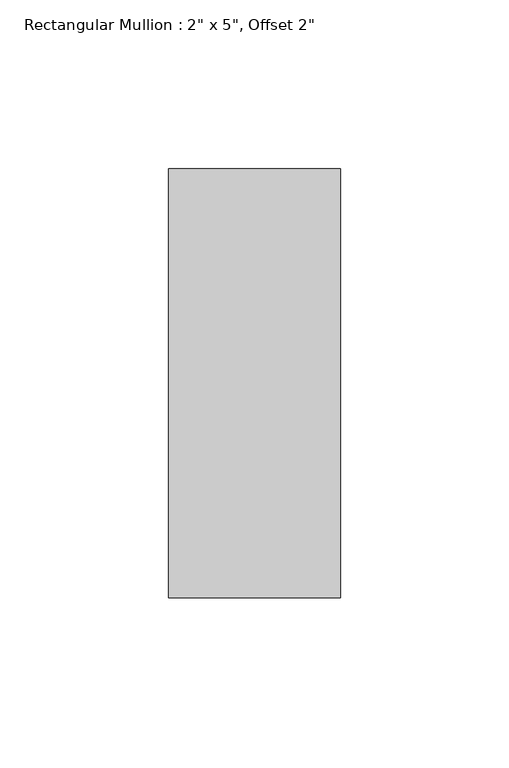
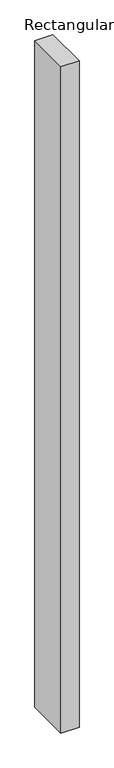
"""IFC4 building model written with IfcOpenShell, lengths in millimetres: member geometry."""

from ifc_helpers import new_model, si_unit, frame, origin, place, context, project, spatial, polyline, outline, extrude, source, transform, mapped, element, save


def member_c1dc7229(model_context):
    return source(origin(), model_context, "Body", "SweptSolid", [
        extrude(outline(polyline([(0.0, 114.3), (0.0, -12.7), (-50.8, -12.7), (-50.8, 114.3), (0.0, 114.3)])), frame((0.0, 0.0, -1981.2), z_axis=(0.0, 0.0, 1.0), x_axis=(1.0, 0.0, 0.0)), (0.0, 0.0, 1.0), 1981.2),
    ])


if __name__ == "__main__":
    model = new_model("IFC4")
    model_context = context("Model", 3, world=origin())
    ifc_project = project(units=[si_unit("LENGTHUNIT", "METRE", prefix="MILLI")], contexts=[model_context])
    site = spatial("IfcSite", under=ifc_project)
    building = spatial("IfcBuilding", under=site)
    placement = place(None, origin())
    member_shape = member_c1dc7229(model_context)
    element("IfcMember", 1, ObjectType="Rectangular Mullion : 2\" x 5\", Offset 2\"", at=placement, inside=building, context=model_context, shape_type="MappedRepresentation", body=[
        mapped(member_shape, transform((0.0, 0.0, 0.0), x_axis=(1.0, 0.0, 0.0), y_axis=(0.0, 1.0, 0.0), z_axis=(0.0, 0.0, 1.0))),
    ])
    save(model, "model.ifc")
